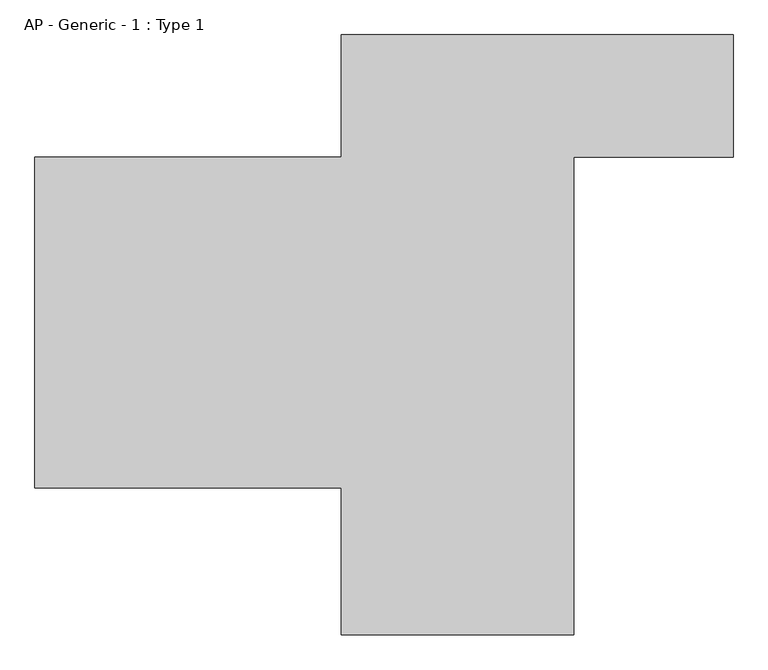
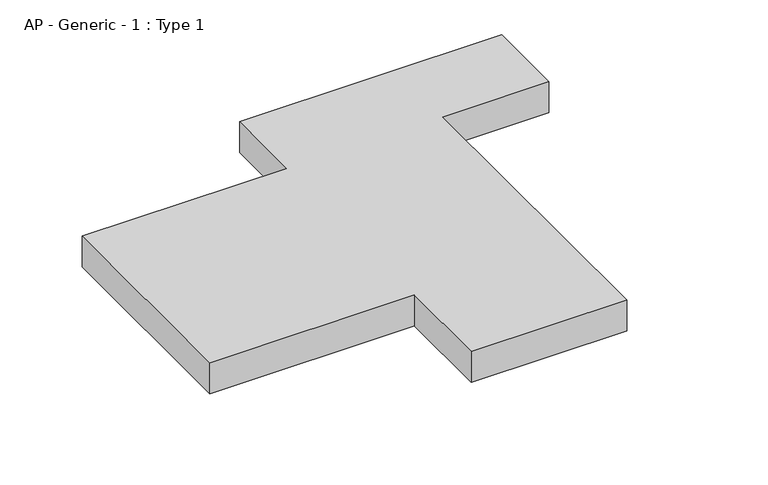
"""IFC4 building model written with IfcOpenShell, lengths in millimetres: proxy geometry, AP - Generic - 1 : Type 1."""

from ifc_helpers import new_model, si_unit, origin, origin_with_axes, place, context, project, spatial, polyline, outline, extrude, source, transform, mapped, element, save


def ap_generic_1_type_1_453c5880(model_context):
    return source(origin(), model_context, "Body", "SweptSolid", [
        extrude(outline(polyline([(3200.0, 3700.0), (3200.0, 2700.0), (1900.0, 2700.0), (1900.0, -1200.0), (0.0, -1200.0), (0.0, 0.0), (-2500.0, 0.0), (-2500.0, 2700.0), (0.0, 2700.0), (0.0, 3700.0), (3200.0, 3700.0)])), origin_with_axes(), (0.0, 0.0, 1.0), 400.0),
    ])


if __name__ == "__main__":
    model = new_model("IFC4")
    model_context = context("Model", 3, world=origin())
    ifc_project = project(units=[si_unit("LENGTHUNIT", "METRE", prefix="MILLI")], contexts=[model_context])
    site = spatial("IfcSite", under=ifc_project)
    building = spatial("IfcBuilding", under=site)
    placement = place(None, origin())
    ap_generic_1_type_1_shape = ap_generic_1_type_1_453c5880(model_context)
    element("IfcBuildingElementProxy", 1, Name="AP - Generic - 1 : Type 1", ObjectType="AP - Generic - 1 : Type 1", at=placement, inside=building, context=model_context, shape_type="MappedRepresentation", body=[
        mapped(ap_generic_1_type_1_shape, transform((0.0, 0.0, 0.0), x_axis=(1.0, 0.0, 0.0), y_axis=(0.0, 1.0, 0.0), z_axis=(0.0, 0.0, 1.0))),
    ])
    save(model, "model.ifc")
